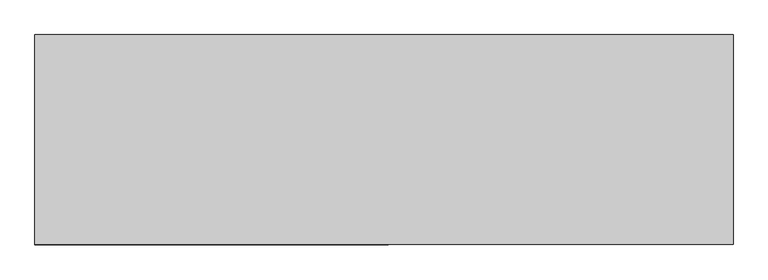
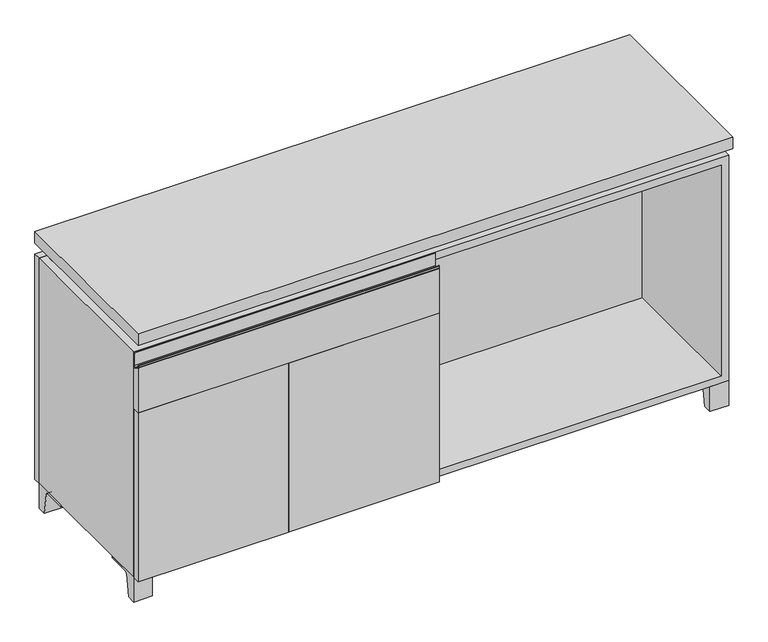
"""IFC4 building model written with IfcOpenShell, lengths in millimetres: furniture geometry."""

from ifc_helpers import new_model, si_unit, point, frame, frame_2d, origin, place, context, project, spatial, polyline, circle_curve, trimmed, segment, composite_curve, outline, extrude, faceted_brep, source, transform, mapped, element, save


def furniture_0e3802bf(model_context):
    return source(origin(), model_context, "Body", "SolidModel", [
        extrude(outline(composite_curve([segment(polyline([(-146.05, 633.4125), (-165.1, 644.525)]), True, "CONTINUOUS"), segment(trimmed(circle_curve(frame_2d((-163.9001571, 646.5818735)), 2.38125), [point((-165.1, 644.525))], [point((-166.2814071, 646.5818735))], False, "CARTESIAN"), True, "CONTINUOUS"), segment(polyline([(-166.2814071, 646.5818735), (-166.2814071, 651.66875)]), True, "CONTINUOUS"), segment(trimmed(circle_curve(frame_2d((-165.4876571, 651.66875)), 0.79375), [point((-166.2814071, 651.66875))], [point((-164.6939071, 651.66875))], False, "CARTESIAN"), True, "CONTINUOUS"), segment(polyline([(-164.6939071, 651.66875), (-164.6939071, 646.5818735)]), True, "CONTINUOUS"), segment(trimmed(circle_curve(frame_2d((-163.9001571, 646.5818735)), 0.79375), [point((-164.6939071, 646.5818735))], [point((-164.3001047, 645.896249))], True, "CARTESIAN"), True, "CONTINUOUS"), segment(polyline([(-164.3001047, 645.896249), (-152.4122905, 638.9616907)]), True, "CONTINUOUS"), segment(trimmed(circle_curve(frame_2d((-150.8125, 641.7041887)), 3.175), [point((-152.4122905, 638.9616907))], [point((-147.6375, 641.7041887))], True, "CARTESIAN"), True, "CONTINUOUS"), segment(polyline([(-147.6375, 641.7041887), (-147.6375, 675.48125)]), True, "CONTINUOUS"), segment(trimmed(circle_curve(frame_2d((-146.84375, 675.48125)), 0.79375), [point((-147.6375, 675.48125))], [point((-146.05, 675.48125))], False, "CARTESIAN"), True, "CONTINUOUS"), segment(polyline([(-146.05, 675.48125), (-146.05, 633.4125)]), True, "CONTINUOUS")], self_intersect=False)), frame((-760.3986094, 0.0, 0.0), z_axis=(1.0, 0.0, 0.0), x_axis=(0.0, 1.0, 0.0)), (0.0, 0.0, 1.0), 769.9375),
        extrude(outline(polyline([(-146.05, 523.875), (-165.1, 523.875), (-165.1, 644.525), (-146.05, 633.4125), (-146.05, 523.875)])), frame((-760.3986094, 0.0, 0.0), z_axis=(1.0, 0.0, 0.0), x_axis=(0.0, 1.0, 0.0)), (0.0, 0.0, 1.0), 769.9375),
        extrude(outline(composite_curve([segment(polyline([(44.9791531, 0.0), (22.225, 0.0), (22.225, 66.675), (117.475, 66.675), (117.475, 61.8963321), (60.6744655, 61.8963321)]), True, "CONTINUOUS"), segment(trimmed(circle_curve(frame_2d((60.6744655, 55.5463321)), 6.35), [point((60.6744655, 61.8963321))], [point((54.4108641, 56.5902656))], True, "CARTESIAN"), True, "CONTINUOUS"), segment(polyline([(54.4108641, 56.5902656), (44.9791531, 0.0)]), True, "CONTINUOUS")], self_intersect=False)), frame((-23.7986094, 0.0, 0.0), z_axis=(1.0, 0.0, 0.0), x_axis=(0.0, 1.0, 0.0)), (0.0, 0.0, 1.0), 47.625),
        extrude(outline(composite_curve([segment(polyline([(-123.2958469, 0.0), (-146.05, 0.0), (-146.05, 66.675), (-50.8, 66.675), (-50.8, 61.8963321), (-107.6005345, 61.8963321)]), True, "CONTINUOUS"), segment(trimmed(circle_curve(frame_2d((-107.6005345, 55.5463321)), 6.35), [point((-107.6005345, 61.8963321))], [point((-113.8641359, 56.5902656))], True, "CARTESIAN"), True, "CONTINUOUS"), segment(polyline([(-113.8641359, 56.5902656), (-123.2958469, 0.0)]), True, "CONTINUOUS")], self_intersect=False)), frame((712.8013906, 0.0, 0.0), z_axis=(1.0, 0.0, 0.0), x_axis=(0.0, 1.0, 0.0)), (0.0, 0.0, 1.0), 47.625),
        extrude(outline(composite_curve([segment(polyline([(250.2958469, 0.0), (240.8641359, 56.5902656)]), True, "CONTINUOUS"), segment(trimmed(circle_curve(frame_2d((234.6005345, 55.5463321)), 6.35), [point((240.8641359, 56.5902656))], [point((234.6005345, 61.8963321))], True, "CARTESIAN"), True, "CONTINUOUS"), segment(polyline([(234.6005345, 61.8963321), (177.8, 61.8963321), (177.8, 66.675), (273.05, 66.675), (273.05, 0.0), (250.2958469, 0.0)]), True, "CONTINUOUS")], self_intersect=False)), frame((712.8013906, 0.0, 0.0), z_axis=(1.0, 0.0, 0.0), x_axis=(0.0, 1.0, 0.0)), (0.0, 0.0, 1.0), 47.625),
        extrude(outline(composite_curve([segment(polyline([(-123.2958469, 0.0), (-146.05, 0.0), (-146.05, 66.675), (-50.8, 66.675), (-50.8, 61.8963321), (-107.6005345, 61.8963321)]), True, "CONTINUOUS"), segment(trimmed(circle_curve(frame_2d((-107.6005345, 55.5463321)), 6.35), [point((-107.6005345, 61.8963321))], [point((-113.8641359, 56.5902656))], True, "CARTESIAN"), True, "CONTINUOUS"), segment(polyline([(-113.8641359, 56.5902656), (-123.2958469, 0.0)]), True, "CONTINUOUS")], self_intersect=False)), frame((-760.3986094, 0.0, 0.0), z_axis=(1.0, 0.0, 0.0), x_axis=(0.0, 1.0, 0.0)), (0.0, 0.0, 1.0), 47.625),
        extrude(outline(composite_curve([segment(polyline([(250.2958469, 0.0), (240.8641359, 56.5902656)]), True, "CONTINUOUS"), segment(trimmed(circle_curve(frame_2d((234.6005345, 55.5463321)), 6.35), [point((240.8641359, 56.5902656))], [point((234.6005345, 61.8963321))], True, "CARTESIAN"), True, "CONTINUOUS"), segment(polyline([(234.6005345, 61.8963321), (177.8, 61.8963321), (177.8, 66.675), (273.05, 66.675), (273.05, 0.0), (250.2958469, 0.0)]), True, "CONTINUOUS")], self_intersect=False)), frame((-760.3986094, 0.0, 0.0), z_axis=(1.0, 0.0, 0.0), x_axis=(0.0, 1.0, 0.0)), (0.0, 0.0, 1.0), 47.625),
        faceted_brep([(-760.3986094, -146.05, 66.675), (760.4125, -146.05, 66.675), (760.4125, -146.05, 676.275), (-760.3986094, -146.05, 676.275), (-741.3486094, -146.05, 85.725), (-741.3486094, -146.05, 657.225), (741.3694453, -146.05, 657.225), (741.3486094, -146.05, 85.725), (-760.3986094, 273.05, 66.675), (-760.3986094, 273.05, 676.275), (-741.3486094, 273.05, 676.275), (-741.3486094, 273.05, 85.725), (741.3486094, 273.05, 85.725), (741.3486094, 273.05, 676.275), (760.4125, 273.05, 676.275), (760.4125, 273.05, 66.675), (741.3486094, 247.65, 676.275), (-741.3416641, 247.65, 676.275), (-741.3486094, 247.65, 657.225), (741.3486094, 247.65, 657.225)], [[[0, 1, 2, 3], [4, 5, 6, 7]], [[8, 9, 10, 11, 12, 13, 14, 15]], [[1, 0, 8, 15]], [[2, 1, 15, 14]], [[3, 2, 14, 13, 16, 17, 10, 9]], [[0, 3, 9, 8]], [[11, 10, 17, 18, 5, 4]], [[13, 12, 7, 6, 19, 16]], [[4, 7, 12, 11]], [[6, 5, 18, 19]], [[17, 16, 19, 18]]]),
        extrude(outline(polyline([(760.4263906, -165.1), (-760.3986094, -165.1), (-760.3986094, 292.1), (760.4263906, 292.1), (760.4263906, -165.1)])), frame((0.0, 0.0, 706.4375), z_axis=(0.0, 0.0, 1.0), x_axis=(1.0, 0.0, 0.0)), (0.0, 0.0, 1.0), 30.1625),
        faceted_brep([(7.9513906, -69.85, 706.4375), (7.9513906, -69.85, 676.275), (7.9513906, 53.975, 676.275), (7.9513906, 53.975, 706.4375), (7.9513906, 196.85, 676.275), (7.9513906, 196.85, 706.4375), (7.9513906, 73.025, 706.4375), (7.9513906, 73.025, 676.275), (-7.9236094, 196.85, 706.4375), (-7.9236094, 196.85, 676.275), (-7.9236094, 73.025, 676.275), (-7.9236094, 73.025, 706.4375), (-7.9236094, -69.85, 676.275), (-7.9236094, -69.85, 706.4375), (-7.9236094, 53.975, 706.4375), (-7.9236094, 53.975, 676.275), (-719.0958281, 73.025, 706.4375), (-719.1166641, 247.65, 706.4375), (-734.9916641, 247.65, 706.4375), (-734.9916641, -120.65, 706.4375), (-719.1166641, -120.65, 706.4375), (-719.1166641, 53.975, 706.4375), (719.1236094, 53.975, 706.4375), (719.1236094, -120.65, 706.4375), (734.9986094, -120.65, 706.4375), (734.9986094, 247.65, 706.4375), (719.1236094, 247.65, 706.4375), (719.1236094, 73.025, 706.4375), (-719.0958281, 53.975, 676.275), (-719.1166641, -120.65, 676.275), (-734.9916641, -120.65, 676.275), (-734.9916641, 247.65, 676.275), (-719.1166641, 247.65, 676.275), (-719.1166641, 73.025, 676.275), (719.1236094, 73.025, 676.275), (719.1236094, 247.65, 676.275), (734.9986094, 247.65, 676.275), (734.9986094, -120.65, 676.275), (719.1236094, -120.65, 676.275), (719.1236094, 53.975, 676.275)], [[[0, 1, 2, 3]], [[4, 5, 6, 7]], [[8, 9, 10, 11]], [[12, 13, 14, 15]], [[5, 8, 11, 16, 17, 18, 19, 20, 21, 14, 13, 0, 3, 22, 23, 24, 25, 26, 27, 6]], [[1, 12, 15, 28, 29, 30, 31, 32, 33, 10, 9, 4, 7, 34, 35, 36, 37, 38, 39, 2]], [[5, 4, 9, 8]], [[1, 0, 13, 12]], [[6, 27, 34, 7]], [[22, 3, 2, 39]], [[20, 29, 28, 21]], [[32, 17, 16, 33]], [[18, 31, 30, 19]], [[29, 20, 19, 30]], [[17, 32, 31, 18]], [[26, 35, 34, 27]], [[38, 23, 22, 39]], [[25, 24, 37, 36]], [[23, 38, 37, 24]], [[35, 26, 25, 36]], [[16, 11, 10, 33]], [[14, 21, 28, 15]]]),
        extrude(outline(polyline([(9.5388906, 203.2), (9.5388906, -146.05), (-9.5111094, -146.05), (-9.5111094, 203.2), (9.5388906, 203.2)])), frame((0.0, 0.0, 85.725), z_axis=(0.0, 0.0, 1.0), x_axis=(1.0, 0.0, 0.0)), (0.0, 0.0, 1.0), 571.5),
        extrude(outline(polyline([(760.4263906, 273.05), (-760.3986094, 273.05), (-760.3986094, 292.1), (760.4263906, 292.1), (760.4263906, 273.05)])), frame((0.0, 0.0, 66.675), z_axis=(0.0, 0.0, 1.0), x_axis=(1.0, 0.0, 0.0)), (0.0, 0.0, 1.0), 609.6),
        extrude(outline(polyline([(-741.3416641, 203.2), (-741.3416641, 209.55), (741.3694453, 209.55), (741.3694453, 203.2), (-741.3416641, 203.2)])), frame((0.0, 0.0, 85.725), z_axis=(0.0, 0.0, 1.0), x_axis=(1.0, 0.0, 0.0)), (0.0, 0.0, 1.0), 571.5),
        extrude(outline(polyline([(9.5388906, -165.1), (-373.8423594, -165.1), (-373.8423594, -146.05), (9.5388906, -146.05), (9.5388906, -165.1)])), frame((0.0, 0.0, 66.675), z_axis=(0.0, 0.0, 1.0), x_axis=(1.0, 0.0, 0.0)), (0.0, 0.0, 1.0), 457.2),
        extrude(outline(polyline([(-377.0173594, -165.1), (-760.3986094, -165.1), (-760.3986094, -146.05), (-377.0173594, -146.05), (-377.0173594, -165.1)])), frame((0.0, 0.0, 66.675), z_axis=(0.0, 0.0, 1.0), x_axis=(1.0, 0.0, 0.0)), (0.0, 0.0, 1.0), 457.2),
    ])


if __name__ == "__main__":
    model = new_model("IFC4")
    model_context = context("Model", 3, world=origin())
    ifc_project = project(units=[si_unit("LENGTHUNIT", "METRE", prefix="MILLI")], contexts=[model_context])
    site = spatial("IfcSite", under=ifc_project)
    building = spatial("IfcBuilding", under=site)
    placement = place(None, origin())
    furniture_shape = furniture_0e3802bf(model_context)
    element("IfcFurniture", 1, at=placement, inside=building, context=model_context, shape_type="MappedRepresentation", body=[
        mapped(furniture_shape, transform((0.0, 0.0, 0.0), x_axis=(1.0, 0.0, 0.0), y_axis=(0.0, 1.0, 0.0), z_axis=(0.0, 0.0, 1.0))),
    ])
    save(model, "model.ifc")
